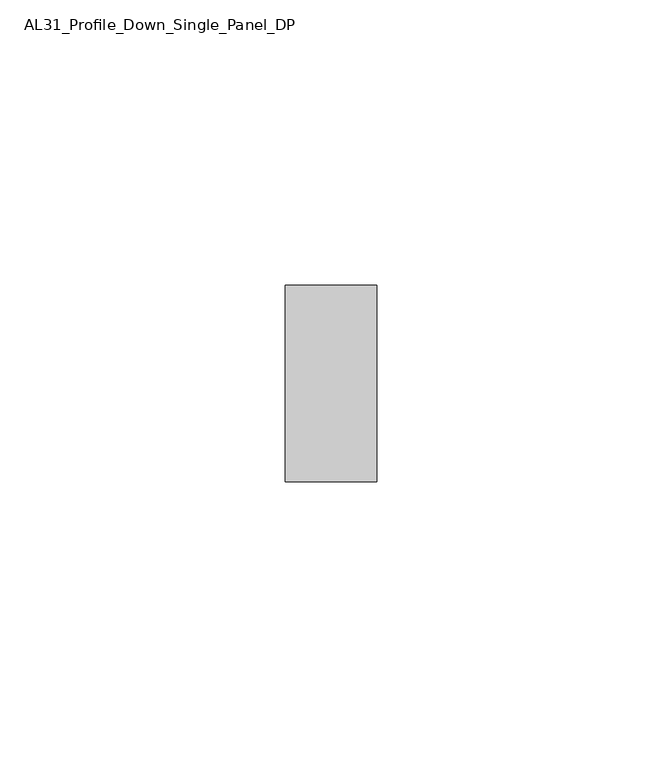
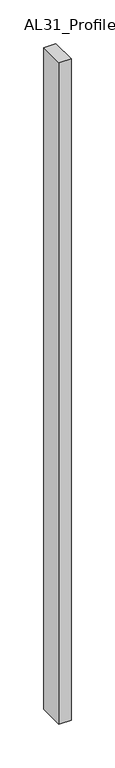
"""IFC4 building model written with IfcOpenShell, lengths in millimetres: member geometry, AL31_Profile_Down_Single_Panel_DP."""

from ifc_helpers import new_model, si_unit, frame, origin, place, context, project, spatial, polyline, outline, extrude, source, transform, mapped, element, save


def al31_profile_down_single_panel_dp_b720089f(model_context):
    return source(origin(), model_context, "Body", "SweptSolid", [
        extrude(outline(polyline([(0.0, 37.107), (0.0, 2.607), (-16.0427074, 2.607), (-16.0427074, 37.107), (0.0, 37.107)])), frame((0.0, 0.0, -922.8602632), z_axis=(0.0, 0.0, 1.0), x_axis=(1.0, 0.0, 0.0)), (0.0, 0.0, 1.0), 922.8602632),
    ])


if __name__ == "__main__":
    model = new_model("IFC4")
    model_context = context("Model", 3, world=origin())
    ifc_project = project(units=[si_unit("LENGTHUNIT", "METRE", prefix="MILLI")], contexts=[model_context])
    site = spatial("IfcSite", under=ifc_project)
    building = spatial("IfcBuilding", under=site)
    placement = place(None, origin())
    al31_profile_down_single_panel_dp_shape = al31_profile_down_single_panel_dp_b720089f(model_context)
    element("IfcMember", 1, ObjectType="AL31_Profile_Down_Single_Panel_DP", at=placement, inside=building, context=model_context, shape_type="MappedRepresentation", body=[
        mapped(al31_profile_down_single_panel_dp_shape, transform((0.0, 0.0, 0.0), x_axis=(1.0, 0.0, 0.0), y_axis=(0.0, 1.0, 0.0), z_axis=(0.0, 0.0, 1.0))),
    ])
    save(model, "model.ifc")
